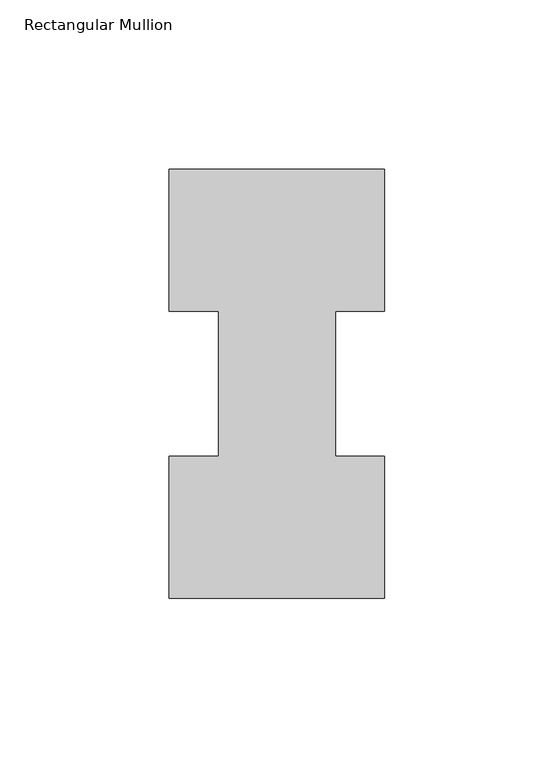
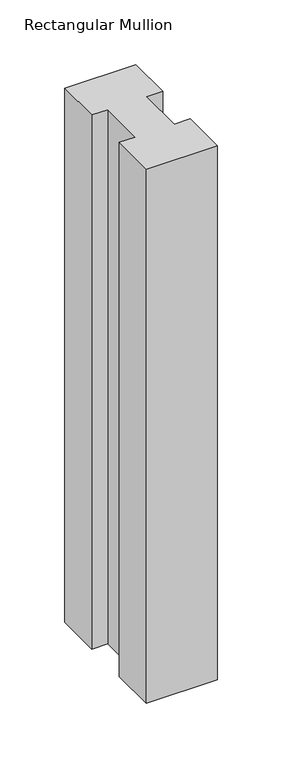
"""IFC4 building model written with IfcOpenShell, lengths in millimetres: member geometry, Rectangular Mullion."""

from ifc_helpers import new_model, si_unit, frame, origin, place, context, project, spatial, polyline, outline, extrude, source, transform, mapped, element, save


def rectangular_mullion_2fc276e5(model_context):
    return source(origin(), model_context, "Body", "SweptSolid", [
        extrude(outline(polyline([(-63.5, 0.26035), (-63.5, 42.0829753), (-49.0000192, 42.0829753), (-49.0000192, 84.93125), (-63.5, 84.93125), (-63.5, 126.75235), (0.0, 126.75235), (0.0, 84.93125), (-14.4999808, 84.93125), (-14.4999808, 42.1178757), (0.0, 42.1178757), (0.0, 0.26035), (-63.5, 0.26035)])), frame((0.0, 0.0, -504.8247287), z_axis=(0.0, 0.0, 1.0), x_axis=(1.0, 0.0, 0.0)), (0.0, 0.0, 1.0), 504.8247287),
    ])


if __name__ == "__main__":
    model = new_model("IFC4")
    model_context = context("Model", 3, world=origin())
    ifc_project = project(units=[si_unit("LENGTHUNIT", "METRE", prefix="MILLI")], contexts=[model_context])
    site = spatial("IfcSite", under=ifc_project)
    building = spatial("IfcBuilding", under=site)
    placement = place(None, origin())
    rectangular_mullion_shape = rectangular_mullion_2fc276e5(model_context)
    element("IfcMember", 1, ObjectType="Rectangular Mullion", at=placement, inside=building, context=model_context, shape_type="MappedRepresentation", body=[
        mapped(rectangular_mullion_shape, transform((0.0, 0.0, 0.0), x_axis=(1.0, 0.0, 0.0), y_axis=(0.0, 1.0, 0.0), z_axis=(0.0, 0.0, 1.0))),
    ])
    save(model, "model.ifc")
